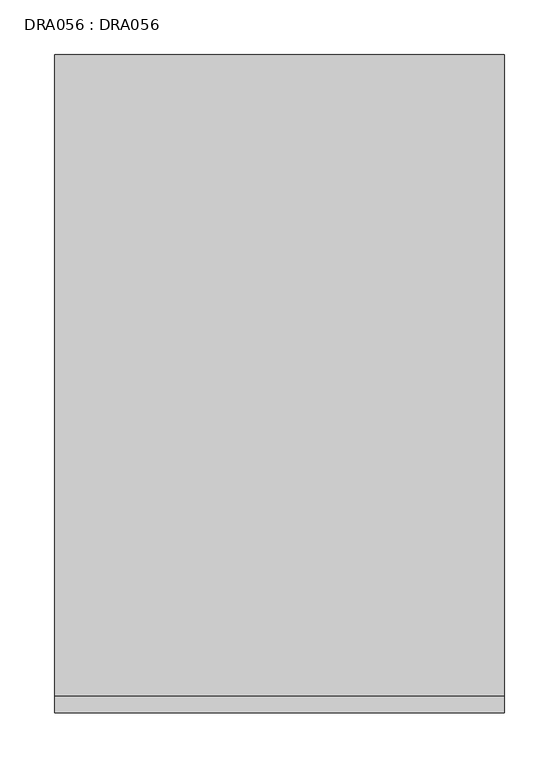
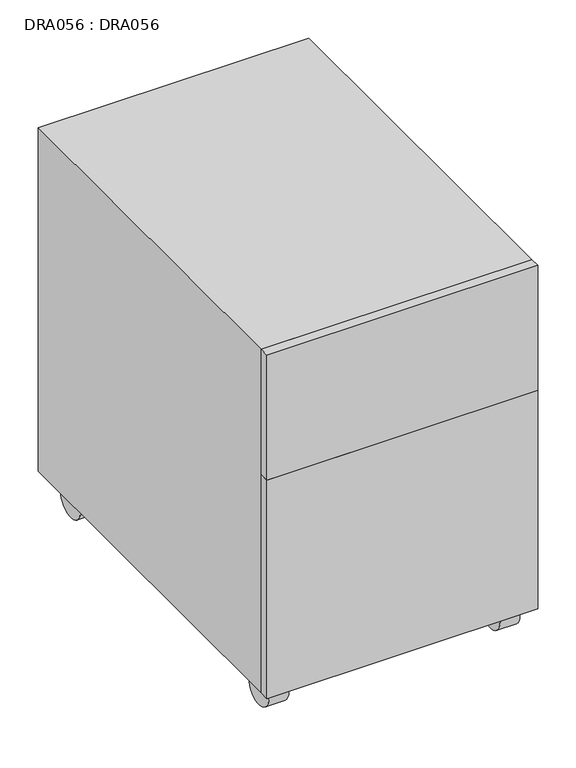
"""IFC4 building model written with IfcOpenShell, lengths in millimetres: proxy geometry, DRA056 : DRA056."""

from ifc_helpers import new_model, si_unit, point, frame, frame_2d, origin, place, context, project, spatial, polyline, circle_curve, trimmed, segment, composite_curve, outline, extrude, source, transform, mapped, element, save


def dra056_dra056_ad2b0069(model_context):
    return source(origin(), model_context, "Body", "SweptSolid", [
        extrude(outline(composite_curve([segment(trimmed(circle_curve(frame_2d((-50.6898907, 26.4201494)), 26.4201494), [point((-24.2697413, 26.4201494))], [point((-77.1100401, 26.4201494))], False, "CARTESIAN"), True, "CONTINUOUS"), segment(trimmed(circle_curve(frame_2d((-50.6898907, 26.4201494)), 26.4201494), [point((-77.1100401, 26.4201494))], [point((-24.2697413, 26.4201494))], False, "CARTESIAN"), True, "CONTINUOUS")], self_intersect=False)), frame((20.0, 0.0, 0.0), z_axis=(1.0, 0.0, 0.0), x_axis=(0.0, 1.0, 0.0)), (0.0, 0.0, 1.0), 30.0),
        extrude(outline(composite_curve([segment(trimmed(circle_curve(frame_2d((-544.4398907, 26.4201494)), 26.4201494), [point((-518.0197413, 26.4201494))], [point((-570.8600401, 26.4201494))], False, "CARTESIAN"), True, "CONTINUOUS"), segment(trimmed(circle_curve(frame_2d((-544.4398907, 26.4201494)), 26.4201494), [point((-570.8600401, 26.4201494))], [point((-518.0197413, 26.4201494))], False, "CARTESIAN"), True, "CONTINUOUS")], self_intersect=False)), frame((370.0, 0.0, 0.0), z_axis=(1.0, 0.0, 0.0), x_axis=(0.0, 1.0, 0.0)), (0.0, 0.0, 1.0), 30.0),
        extrude(outline(composite_curve([segment(trimmed(circle_curve(frame_2d((-50.6898907, 26.4201494)), 26.4201494), [point((-24.2697413, 26.4201494))], [point((-77.1100401, 26.4201494))], False, "CARTESIAN"), True, "CONTINUOUS"), segment(trimmed(circle_curve(frame_2d((-50.6898907, 26.4201494)), 26.4201494), [point((-77.1100401, 26.4201494))], [point((-24.2697413, 26.4201494))], False, "CARTESIAN"), True, "CONTINUOUS")], self_intersect=False)), frame((370.0, 0.0, 0.0), z_axis=(1.0, 0.0, 0.0), x_axis=(0.0, 1.0, 0.0)), (0.0, 0.0, 1.0), 30.0),
        extrude(outline(composite_curve([segment(trimmed(circle_curve(frame_2d((-544.4398907, 26.4201494)), 26.4201494), [point((-518.0197413, 26.4201494))], [point((-570.8600401, 26.4201494))], False, "CARTESIAN"), True, "CONTINUOUS"), segment(trimmed(circle_curve(frame_2d((-544.4398907, 26.4201494)), 26.4201494), [point((-570.8600401, 26.4201494))], [point((-518.0197413, 26.4201494))], False, "CARTESIAN"), True, "CONTINUOUS")], self_intersect=False)), frame((370.0, 0.0, 0.0), z_axis=(1.0, 0.0, 0.0), x_axis=(0.0, 1.0, 0.0)), (0.0, 0.0, 1.0), 30.0),
        extrude(outline(composite_curve([segment(trimmed(circle_curve(frame_2d((-544.4398907, 26.4201494)), 26.4201494), [point((-518.0197413, 26.4201494))], [point((-570.8600401, 26.4201494))], False, "CARTESIAN"), True, "CONTINUOUS"), segment(trimmed(circle_curve(frame_2d((-544.4398907, 26.4201494)), 26.4201494), [point((-570.8600401, 26.4201494))], [point((-518.0197413, 26.4201494))], False, "CARTESIAN"), True, "CONTINUOUS")], self_intersect=False)), frame((20.0, 0.0, 0.0), z_axis=(1.0, 0.0, 0.0), x_axis=(0.0, 1.0, 0.0)), (0.0, 0.0, 1.0), 30.0),
        extrude(outline(polyline([(410.0000104, -600.0000046), (0.0, -600.0000046), (0.0, -585.0000117), (410.0000104, -585.0000117), (410.0000104, -600.0000046)])), frame((0.0, 0.0, 400.0000063), z_axis=(0.0, 0.0, 1.0), x_axis=(1.0, 0.0, 0.0)), (0.0, 0.0, 1.0), 199.9999983),
        extrude(outline(polyline([(410.0000104, -585.0000117), (410.0000104, -600.0000046), (0.0, -600.0000046), (0.0, -585.0000117), (410.0000104, -585.0000117)])), frame((0.0, 0.0, 50.0000004), z_axis=(0.0, 0.0, 1.0), x_axis=(1.0, 0.0, 0.0)), (0.0, 0.0, 1.0), 350.0000059),
        extrude(outline(polyline([(410.0000104, 0.0), (410.0000104, -585.0000117), (0.0, -585.0000117), (0.0, 0.0), (410.0000104, 0.0)])), frame((0.0, 0.0, 50.0000004), z_axis=(0.0, 0.0, 1.0), x_axis=(1.0, 0.0, 0.0)), (0.0, 0.0, 1.0), 550.0000042),
    ])


if __name__ == "__main__":
    model = new_model("IFC4")
    model_context = context("Model", 3, world=origin())
    ifc_project = project(units=[si_unit("LENGTHUNIT", "METRE", prefix="MILLI")], contexts=[model_context])
    site = spatial("IfcSite", under=ifc_project)
    building = spatial("IfcBuilding", under=site)
    placement = place(None, origin())
    dra056_dra056_shape = dra056_dra056_ad2b0069(model_context)
    element("IfcBuildingElementProxy", 1, Name="DRA056 : DRA056", ObjectType="DRA056 : DRA056", at=placement, inside=building, context=model_context, shape_type="MappedRepresentation", body=[
        mapped(dra056_dra056_shape, transform((0.0, 0.0, 0.0), x_axis=(1.0, 0.0, 0.0), y_axis=(0.0, 1.0, 0.0), z_axis=(0.0, 0.0, 1.0))),
    ])
    save(model, "model.ifc")
